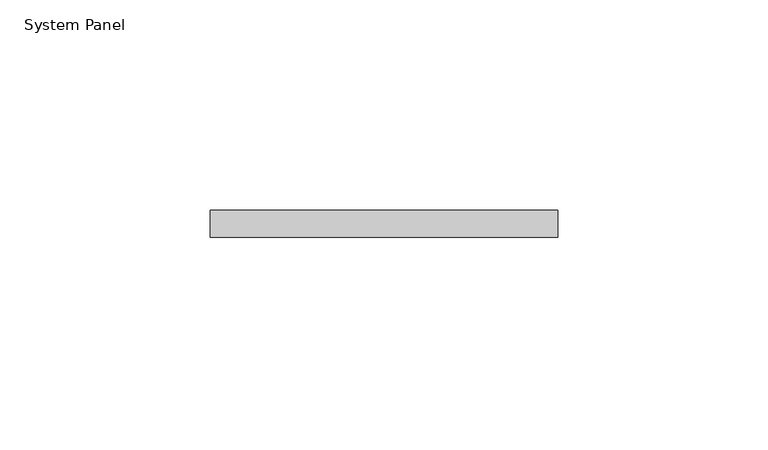
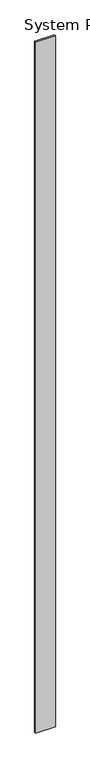
"""IFC4 building model written with IfcOpenShell, lengths in millimetres: plate geometry, System Panel."""

from ifc_helpers import new_model, si_unit, origin, origin_with_axes, place, context, project, spatial, polyline, outline, extrude, source, transform, mapped, element, save


def system_panel_51e03b2c(model_context):
    return source(origin(), model_context, "Body", "SweptSolid", [
        extrude(outline(polyline([(41.275, -6.35), (-41.275, -6.35), (-41.275, 0.0), (41.275, 0.0), (41.275, -6.35)])), origin_with_axes(), (0.0, 0.0, 1.0), 3048.0),
    ])


if __name__ == "__main__":
    model = new_model("IFC4")
    model_context = context("Model", 3, world=origin())
    ifc_project = project(units=[si_unit("LENGTHUNIT", "METRE", prefix="MILLI")], contexts=[model_context])
    site = spatial("IfcSite", under=ifc_project)
    building = spatial("IfcBuilding", under=site)
    placement = place(None, origin())
    system_panel_shape = system_panel_51e03b2c(model_context)
    element("IfcPlate", 1, ObjectType="System Panel", at=placement, inside=building, context=model_context, shape_type="MappedRepresentation", body=[
        mapped(system_panel_shape, transform((0.0, 0.0, 0.0), x_axis=(1.0, 0.0, 0.0), y_axis=(0.0, 1.0, 0.0), z_axis=(0.0, 0.0, 1.0))),
    ])
    save(model, "model.ifc")
